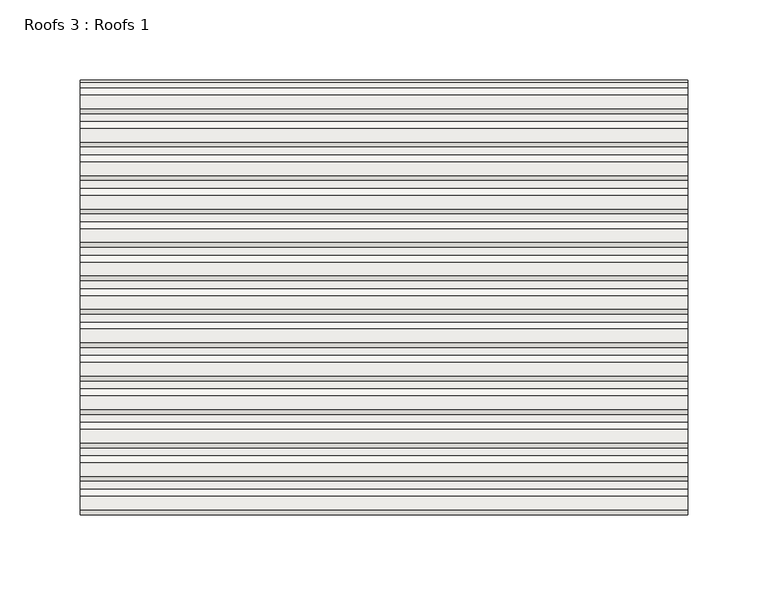
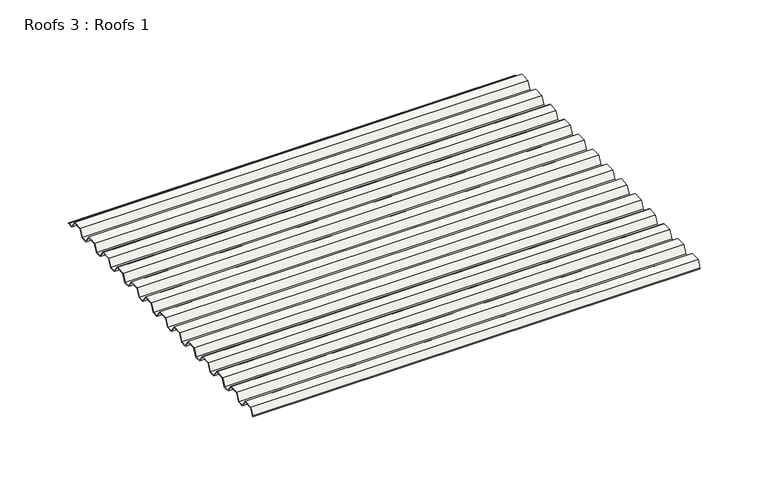
"""IFC4 building model written with IfcOpenShell, lengths in millimetres: roof geometry, Roofs 3 : Roofs 1."""

from ifc_helpers import new_model, si_unit, frame, origin, place, context, project, spatial, polyline, outline, extrude, source, transform, mapped, element, save


def roofs_3_roofs_1_4ea210a9(model_context):
    return source(origin(), model_context, "Body", "SweptSolid", [
        extrude(outline(polyline([(-1707.3108083, -0.1853032), (-1711.6512099, 6.0134326), (-1719.8472769, 5.7277974), (-1722.8572454, -0.7271009), (-1728.1743694, -0.9124041), (-1732.5147709, 5.2863317), (-1740.710838, 5.0006965), (-1743.7208065, -1.4542017), (-1749.0379305, -1.639505), (-1753.378332, 4.5592308), (-1761.5743991, 4.2735956), (-1764.5843676, -2.1813026), (-1769.9014916, -2.3666058), (-1774.2418931, 3.83213), (-1782.4379602, 3.5464948), (-1785.4479287, -2.9084035), (-1790.7650526, -3.0937067), (-1795.1054542, 3.1050291), (-1803.3015213, 2.8193939), (-1806.3114897, -3.6355043), (-1811.6286137, -3.8208076), (-1815.9690153, 2.3779282), (-1824.1650823, 2.092293), (-1827.1750508, -4.3626052), (-1832.4921748, -4.5479085), (-1836.8325763, 1.6508274), (-1845.0286434, 1.3651921), (-1848.0386119, -5.0897061), (-1853.3557359, -5.2750093), (-1857.6961374, 0.9237265), (-1865.8922045, 0.6380913), (-1868.902173, -5.816807), (-1874.219297, -6.0021102), (-1878.5596985, 0.1966256), (-1886.7557656, -0.0890096), (-1889.7657341, -6.5439078), (-1895.082858, -6.7292111), (-1899.4232596, -0.5304753), (-1907.6193267, -0.8161105), (-1910.6292951, -7.2710087), (-1915.9464191, -7.4563119), (-1920.2868207, -1.2575761), (-1928.4828877, -1.5432113), (-1931.4928562, -7.9981096), (-1936.8099802, -8.1834128), (-1941.1503817, -1.984677), (-1949.3464488, -2.2703122), (-1952.3564173, -8.7252104), (-1957.6735413, -8.9105137), (-1962.0139428, -2.7117779), (-1970.2100099, -2.9974131), (-1973.2199784, -9.4523113), (-1973.2199784, -8.513225), (-1970.4669097, -2.6092502), (-1961.8124289, -2.3076391), (-1957.4720274, -8.5063749), (-1952.6133171, -8.3370475), (-1949.6033486, -1.8821493), (-1940.9488678, -1.5805382), (-1936.6084663, -7.779274), (-1931.749756, -7.6099467), (-1928.7397875, -1.1550484), (-1920.0853067, -0.8534374), (-1915.7449052, -7.0521732), (-1910.8861949, -6.8828458), (-1907.8762264, -0.4279475), (-1899.2217457, -0.1263365), (-1894.8813441, -6.3250723), (-1890.0226338, -6.1557449), (-1887.0126654, 0.2991533), (-1878.3581846, 0.6007644), (-1874.017783, -5.5979714), (-1869.1590728, -5.428644), (-1866.1491043, 1.0262542), (-1857.4946235, 1.3278652), (-1853.154222, -4.8708706), (-1848.2955117, -4.7015432), (-1845.2855432, 1.7533551), (-1836.6310624, 2.0549661), (-1832.2906609, -4.1437697), (-1827.4319506, -3.9744423), (-1824.4219821, 2.4804559), (-1815.7675013, 2.782067), (-1811.4270998, -3.4166688), (-1806.5683895, -3.2473414), (-1803.558421, 3.2075568), (-1794.9039403, 3.5091678), (-1790.5635387, -2.689568), (-1785.7048284, -2.5202406), (-1782.69486, 3.9346577), (-1774.0403792, 4.2362687), (-1769.6999776, -1.9624671), (-1764.8412674, -1.7931397), (-1761.8312989, 4.6617585), (-1753.1768181, 4.9633696), (-1748.8364166, -1.2353662), (-1743.9777063, -1.0660388), (-1740.9677378, 5.3888594), (-1732.313257, 5.6904705), (-1727.9728555, -0.5082654), (-1723.1141452, -0.338938), (-1720.1041767, 6.1159603), (-1711.4496959, 6.4175713), (-1707.1092944, 0.2188355), (-1703.4881832, 0.3450322), (-1701.9936843, 0.0), (-1707.3108083, -0.1853032)])), frame((-8925.01529, 0.0, 0.0), z_axis=(1.0, 0.0, 0.0), x_axis=(0.0, 1.0, 0.0)), (0.0, 0.0, 1.0), 379.028553),
    ])


if __name__ == "__main__":
    model = new_model("IFC4")
    model_context = context("Model", 3, world=origin())
    ifc_project = project(units=[si_unit("LENGTHUNIT", "METRE", prefix="MILLI")], contexts=[model_context])
    site = spatial("IfcSite", under=ifc_project)
    building = spatial("IfcBuilding", under=site)
    placement = place(None, origin())
    roofs_3_roofs_1_shape = roofs_3_roofs_1_4ea210a9(model_context)
    element("IfcRoof", 1, ObjectType="Roofs 3 : Roofs 1", at=placement, inside=building, context=model_context, shape_type="MappedRepresentation", body=[
        mapped(roofs_3_roofs_1_shape, transform((0.0, 0.0, 0.0), x_axis=(1.0, 0.0, 0.0), y_axis=(0.0, 1.0, 0.0), z_axis=(0.0, 0.0, 1.0))),
    ])
    save(model, "model.ifc")
